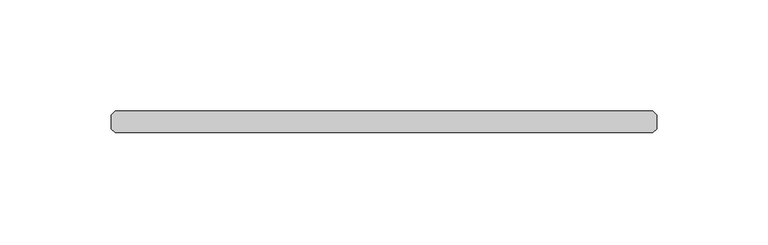
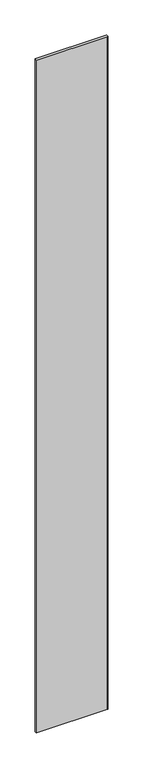
"""IFC4 building model written with IfcOpenShell, lengths in millimetres: plate geometry."""

from ifc_helpers import new_model, si_unit, origin, origin_with_axes, place, context, project, spatial, polyline, outline, extrude, source, transform, mapped, element, save


def plate_078765ab(model_context):
    return source(origin(), model_context, "Body", "SweptSolid", [
        extrude(outline(polyline([(120.65, -34.925), (-120.65, -34.925), (-122.2375, -33.3375), (-122.2375, -26.9875), (-120.65, -25.4), (120.65, -25.4), (122.2375, -26.9875), (122.2375, -33.3375), (120.65, -34.925)])), origin_with_axes(), (0.0, 0.0, 1.0), 2417.075),
    ])


if __name__ == "__main__":
    model = new_model("IFC4")
    model_context = context("Model", 3, world=origin())
    ifc_project = project(units=[si_unit("LENGTHUNIT", "METRE", prefix="MILLI")], contexts=[model_context])
    site = spatial("IfcSite", under=ifc_project)
    building = spatial("IfcBuilding", under=site)
    placement = place(None, origin())
    plate_shape = plate_078765ab(model_context)
    element("IfcPlate", 1, at=placement, inside=building, context=model_context, shape_type="MappedRepresentation", body=[
        mapped(plate_shape, transform((0.0, 0.0, 0.0), x_axis=(1.0, 0.0, 0.0), y_axis=(0.0, 1.0, 0.0), z_axis=(0.0, 0.0, 1.0))),
    ])
    save(model, "model.ifc")
